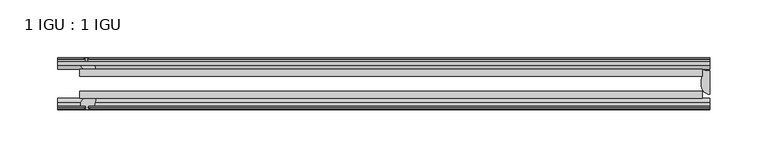
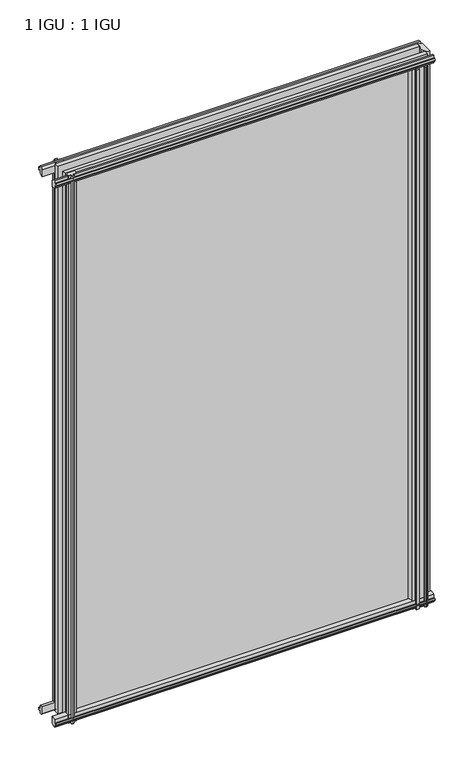
"""IFC4 building model written with IfcOpenShell, lengths in millimetres: plate geometry, 1 IGU : 1 IGU."""

from ifc_helpers import new_model, si_unit, point, frame, frame_2d, origin, place, context, project, spatial, polyline, circle_curve, ellipse_curve, trimmed, segment, composite_curve, outline, extrude, source, transform, mapped, element, save
from ifc_brep_helpers import plane_surface, cylinder_surface, revolved_surface, extruded_surface, advanced_brep


def plate_1_igu_1_igu_f5e07ca3(model_context):
    return source(origin(), model_context, "Body", "SolidModel", [
        extrude(outline(polyline([(-263.5250001, -38.6468937), (276.2250001, -38.6468937), (276.2250001, -44.9460938), (-263.5250001, -44.9460938), (-263.5250001, -38.6468937)])), frame((0.0, 0.0, -12.7), z_axis=(0.0, 0.0, 1.0), x_axis=(1.0, 0.0, 0.0)), (0.0, 0.0, 1.0), 863.5872996),
        extrude(outline(polyline([(-263.5250001, -19.5460937), (276.2250001, -19.5460937), (276.2250001, -25.8960938), (-263.5250001, -25.8960938), (-263.5250001, -19.5460937)])), frame((0.0, 0.0, -12.7), z_axis=(0.0, 0.0, 1.0), x_axis=(1.0, 0.0, 0.0)), (0.0, 0.0, 1.0), 863.5872996),
        advanced_brep(
        [(282.5750001, -21.1709383, -12.4587), (282.5750001, -41.5384061, -12.4587), (275.0526629, -32.2460938, -12.4587), (276.2250001, -25.8452938, -12.4587), (276.2250001, -19.5460938, -12.4587), (282.5750001, -21.1709383, 850.8872996), (276.2250001, -19.5460938, 850.8872996), (276.2250001, -25.8452938, 850.8872996), (275.0526629, -32.2460938, 850.8872996), (282.5750001, -41.5384061, 850.8872996)],
        [
            (0, 1),
            (1, 2, ellipse_curve(frame((282.5750001, -32.2460938, -12.4587), z_axis=(0.0, 0.0, -1.0), x_axis=(0.0, -1.0, 0.0)), 9.2923124, 7.5223371)),
            (2, 3, circle_curve(frame((293.1125764, -32.2460938, -12.4587), z_axis=(0.0, 0.0, -1.0), x_axis=(1.0, 0.0, 0.0)), 18.0599135)),
            (3, 4),
            (4, 0, circle_curve(frame((282.5750001, -7.950406, -12.4587), z_axis=(0.0, 0.0, 1.0), x_axis=(1.0, 0.0, 0.0)), 13.2205323)),
            (5, 6, circle_curve(frame((282.5750001, -7.950406, 850.8872996), z_axis=(0.0, 0.0, -1.0), x_axis=(1.0, 0.0, 0.0)), 13.2205323)),
            (6, 7),
            (7, 8, circle_curve(frame((293.1125764, -32.2460938, 850.8872996), z_axis=(0.0, 0.0, 1.0), x_axis=(1.0, 0.0, 0.0)), 18.0599135)),
            (8, 9, ellipse_curve(frame((282.5750001, -32.2460938, 850.8872996), z_axis=(0.0, 0.0, 1.0), x_axis=(0.0, -1.0, 0.0)), 9.2923124, 7.5223371)),
            (9, 5),
            (1, 9),
            (8, 2),
            (7, 3),
            (6, 4),
            (5, 0),
        ],
        [
            plane_surface(frame((282.5750001, -13.1960938, -12.4587), z_axis=(0.0, 0.0, -1.0), x_axis=(0.0, 1.0, 0.0))),
            plane_surface(frame((282.5750001, -13.1960938, 850.8872996), z_axis=(0.0, 0.0, 1.0), x_axis=(0.0, 1.0, 0.0))),
            extruded_surface(trimmed(ellipse_curve(frame((282.5750001, -32.2460938, 850.8872996), z_axis=(0.0, 0.0, -1.0), x_axis=(0.0, -1.0, 0.0)), 9.2923124, 7.5223371), [point((282.5750001, -41.5384061, 850.8872996))], [point((275.0526629, -32.2460938, 850.8872996))], True, "CARTESIAN"), (0.0, 0.0, -863.3459996), 863.3459996),
            cylinder_surface(frame((293.1125764, -32.2460938, -12.4587), z_axis=(0.0, 0.0, -1.0), x_axis=(1.0, 0.0, 0.0)), 18.0599135),
            plane_surface(frame((276.2250001, -25.8452938, -12.4587), z_axis=(-1.0, 0.0, 0.0), x_axis=(0.0, 0.0, 1.0))),
            revolved_surface(polyline([(295.7955324, -7.950406, 850.8872996), (295.7955324, -7.950406, -12.4587)]), (282.5750001, -7.950406, -12.4587), (0.0, 0.0, 1.0)),
            plane_surface(frame((282.5750001, -21.1709383, -12.4587), z_axis=(1.0, 0.0, 0.0), x_axis=(0.0, 0.0, 1.0))),
        ],
        [
            (0, [[1, 2, 3, 4, 5]]),
            (1, [[6, 7, 8, 9, 10]]),
            (2, [[-2, 11, -9, 12]]),
            (3, [[-3, -12, -8, 13]]),
            (4, [[-4, -13, -7, 14]]),
            (5, [[-5, -14, -6, 15]]),
            (6, [[-1, -15, -10, -11]]),
        ],
    ),
        extrude(outline(polyline([(-44.9460937, 1.7177181), (-44.9460937, -9.1036578), (-48.3496937, -11.938), (-51.2960937, -11.938), (-51.2960937, -7.493), (-53.6762907, -7.112), (-53.2163575, -8.5275291), (-54.0175717, -8.5275291), (-54.7250937, -6.35), (-54.0175717, -4.1724709), (-53.2163575, -4.1724709), (-53.6762907, -5.588), (-51.2960937, -5.207), (-51.2960937, 0.0), (-44.9460937, 1.7177181)])), frame((-282.5750001, 0.0, 0.0), z_axis=(1.0, 0.0, 0.0), x_axis=(0.0, 1.0, 0.0)), (0.0, 0.0, 1.0), 565.1500002),
        extrude(outline(polyline([(-13.1960937, -12.4587), (-16.1424937, -12.4587), (-19.5460937, -9.6243578), (-19.5460937, 1.1970181), (-13.1960937, -0.5207), (-13.1960937, -5.7277), (-10.8158968, -6.1087), (-11.27583, -4.6931709), (-10.4746158, -4.6931709), (-9.7670937, -6.8707), (-10.4746158, -9.0482291), (-11.27583, -9.0482291), (-10.8158968, -7.6327), (-13.1960937, -8.0137), (-13.1960937, -12.4587)])), frame((-282.5750001, 0.0, 0.0), z_axis=(1.0, 0.0, 0.0), x_axis=(0.0, 1.0, 0.0)), (0.0, 0.0, 1.0), 565.1500002),
        extrude(outline(polyline([(-51.2960937, 850.1252996), (-48.3496937, 850.1252996), (-44.9460937, 847.2909574), (-44.9460937, 836.4695815), (-51.2960937, 838.1872996), (-51.2960937, 843.3942996), (-53.6762907, 843.7752996), (-53.2163575, 842.3597706), (-54.0175717, 842.3597706), (-54.7250937, 844.5372996), (-54.0175717, 846.7148287), (-53.2163575, 846.7148287), (-53.6762907, 845.2992996), (-51.2960937, 845.6802996), (-51.2960937, 850.1252996)])), frame((-282.5750001, 0.0, 0.0), z_axis=(1.0, 0.0, 0.0), x_axis=(0.0, 1.0, 0.0)), (0.0, 0.0, 1.0), 565.1500002),
        extrude(outline(polyline([(-19.5460937, 836.9902815), (-19.5460937, 847.8116574), (-16.1424937, 850.6459996), (-13.1960937, 850.6459996), (-13.1960937, 846.2009996), (-10.8158968, 845.8199996), (-11.27583, 847.2355287), (-10.4746158, 847.2355287), (-9.7670937, 845.0579996), (-10.4746158, 842.8804706), (-11.27583, 842.8804706), (-10.8158968, 844.2959996), (-13.1960937, 843.9149996), (-13.1960937, 838.7079996), (-19.5460937, 836.9902815)])), frame((-282.5750001, 0.0, 0.0), z_axis=(1.0, 0.0, 0.0), x_axis=(0.0, 1.0, 0.0)), (0.0, 0.0, 1.0), 565.1500002),
        extrude(outline(composite_curve([segment(polyline([(273.0500002, -44.9460938), (273.0500002, -51.2960938), (271.3990002, -51.2960938), (271.3990002, -52.9470938), (272.476631, -52.9470938)]), True, "CONTINUOUS"), segment(trimmed(circle_curve(frame_2d((271.3990002, -52.9470938)), 1.0776307), [point((272.476631, -52.9470938))], [point((272.1610002, -53.7090938))], False, "CARTESIAN"), True, "CONTINUOUS"), segment(polyline([(272.1610002, -53.7090938), (270.4217078, -54.8194621)]), True, "CONTINUOUS"), segment(trimmed(circle_curve(frame_2d((269.8750002, -53.9630938)), 1.016), [point((270.4217078, -54.8194621))], [point((269.3282926, -54.8194621))], False, "CARTESIAN"), True, "CONTINUOUS"), segment(polyline([(269.3282926, -54.8194621), (267.5890002, -53.7090938)]), True, "CONTINUOUS"), segment(trimmed(circle_curve(frame_2d((268.3510002, -52.9470938)), 1.0776307), [point((267.5890002, -53.7090938))], [point((267.2733695, -52.9470938))], False, "CARTESIAN"), True, "CONTINUOUS"), segment(polyline([(267.2733695, -52.9470938), (268.3510002, -52.9470938), (268.3510002, -51.2960938), (259.2832002, -51.2960938)]), True, "CONTINUOUS"), segment(trimmed(circle_curve(frame_2d((259.2832002, -51.7532938)), 0.4572), [point((259.2832002, -51.2960938))], [point((258.9443824, -52.0602698))], True, "CARTESIAN"), True, "CONTINUOUS"), segment(trimmed(circle_curve(frame_2d((257.1750002, -53.663367)), 2.3876), [point((258.9443824, -52.0602698))], [point((259.2456432, -54.8520938))], False, "CARTESIAN"), True, "CONTINUOUS"), segment(polyline([(259.2456432, -54.8520938), (255.1043572, -54.8520938)]), True, "CONTINUOUS"), segment(trimmed(circle_curve(frame_2d((257.1750002, -53.663367)), 2.3876), [point((255.1043572, -54.8520938))], [point((255.4056181, -52.0602698))], False, "CARTESIAN"), True, "CONTINUOUS"), segment(trimmed(circle_curve(frame_2d((255.0668002, -51.7532938)), 0.4572), [point((255.4056181, -52.0602698))], [point((255.0668002, -51.2960938))], True, "CARTESIAN"), True, "CONTINUOUS"), segment(polyline([(255.0668002, -51.2960938), (250.8250002, -51.2960938)]), True, "CONTINUOUS"), segment(trimmed(circle_curve(frame_2d((241.8090688, -51.9750196)), 9.0414579), [point((250.8250002, -51.2960938))], [point((247.4960857, -44.9460938))], True, "CARTESIAN"), True, "CONTINUOUS"), segment(polyline([(247.4960857, -44.9460938), (273.0500002, -44.9460938)]), True, "CONTINUOUS")], self_intersect=False)), frame((0.0, 0.0, -12.7), z_axis=(0.0, 0.0, 1.0), x_axis=(1.0, 0.0, 0.0)), (0.0, 0.0, 1.0), 850.8872996),
        extrude(outline(polyline([(-257.6957001, -9.7670937), (-255.518171, -10.4746158), (-255.518171, -11.27583), (-256.9337001, -10.8158968), (-256.5527001, -13.1960937), (-251.3457001, -13.1960937), (-249.627982, -19.5460937), (-260.4493579, -19.5460937), (-263.2837001, -16.1424937), (-263.2837001, -13.1960937), (-258.8387001, -13.1960937), (-258.4577001, -10.8158968), (-259.8732291, -11.27583), (-259.8732291, -10.4746158), (-257.6957001, -9.7670937)])), frame((0.0, 0.0, -12.7), z_axis=(0.0, 0.0, 1.0), x_axis=(1.0, 0.0, 0.0)), (0.0, 0.0, 1.0), 863.5872998),
        extrude(outline(polyline([(-262.7630001, -48.3496937), (-259.9286579, -44.9460937), (-249.107282, -44.9460937), (-250.8250001, -51.2960937), (-256.0320001, -51.2960937), (-256.4130001, -53.6762907), (-254.997471, -53.2163575), (-254.997471, -54.0175717), (-257.1750001, -54.7250937), (-259.3525291, -54.0175717), (-259.3525291, -53.2163575), (-257.9370001, -53.6762907), (-258.3180001, -51.2960937), (-262.7630001, -51.2960937), (-262.7630001, -48.3496937)])), frame((0.0, 0.0, -12.7), z_axis=(0.0, 0.0, 1.0), x_axis=(1.0, 0.0, 0.0)), (0.0, 0.0, 1.0), 863.5872998),
    ])


if __name__ == "__main__":
    model = new_model("IFC4")
    model_context = context("Model", 3, world=origin())
    ifc_project = project(units=[si_unit("LENGTHUNIT", "METRE", prefix="MILLI")], contexts=[model_context])
    site = spatial("IfcSite", under=ifc_project)
    building = spatial("IfcBuilding", under=site)
    placement = place(None, origin())
    plate_1_igu_1_igu_shape = plate_1_igu_1_igu_f5e07ca3(model_context)
    element("IfcPlate", 1, ObjectType="1 IGU : 1 IGU", at=placement, inside=building, context=model_context, shape_type="MappedRepresentation", body=[
        mapped(plate_1_igu_1_igu_shape, transform((0.0, 0.0, 0.0), x_axis=(1.0, 0.0, 0.0), y_axis=(0.0, 1.0, 0.0), z_axis=(0.0, 0.0, 1.0))),
    ])
    save(model, "model.ifc")
